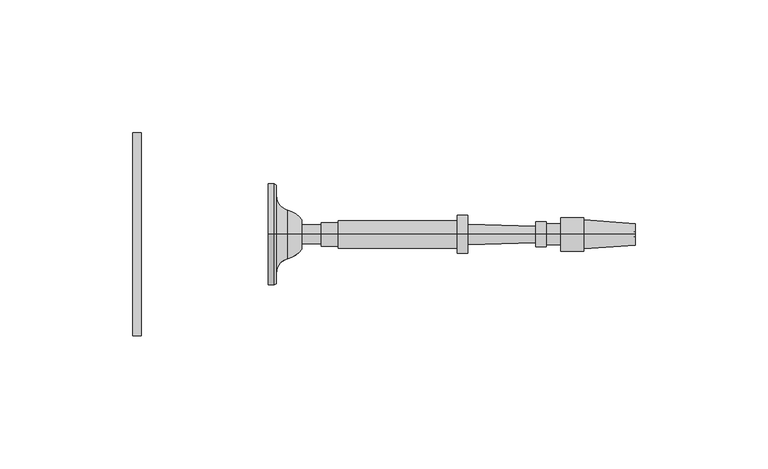
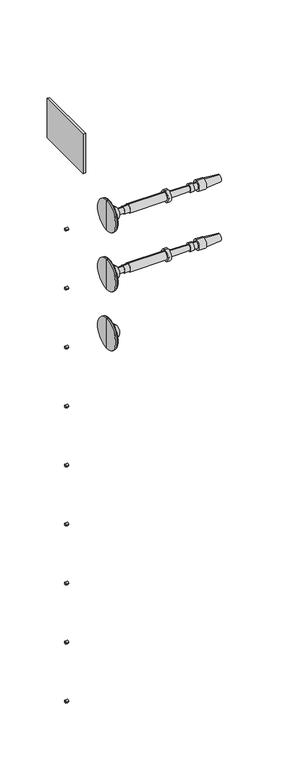
"""IFC4 building model written with IfcOpenShell, lengths in millimetres: railing geometry."""

from ifc_helpers import new_model, si_unit, point, frame, frame_2d, origin, place, context, project, spatial, polyline, circle_curve, ellipse_curve, trimmed, segment, composite_curve, outline, extrude, source, transform, mapped, element, save
from ifc_brep_helpers import plane_surface, cylinder_surface, revolved_surface, advanced_brep


def railing_eec3041f(model_context):
    return source(origin(), model_context, "Body", "SolidModel", [
        extrude(outline(polyline([(1759.1188898, 16668.1866843), (1759.1188898, 16744.3866843), (1762.2938898, 16744.3866843), (1762.2938898, 16668.1866843), (1759.1188898, 16668.1866843)])), frame((0.0, 0.0, 33390.9789063), z_axis=(0.0, 0.0, 1.0), x_axis=(1.0, 0.0, 0.0)), (0.0, 0.0, 1.0), 50.8),
        extrude(outline(composite_curve([segment(trimmed(circle_curve(frame_2d((16706.2866843, 33295.7289062)), 1.5379197), [point((16707.824604, 33295.7289062))], [point((16704.7487645, 33295.7289062))], False, "CARTESIAN"), True, "CONTINUOUS"), segment(trimmed(circle_curve(frame_2d((16706.2866843, 33295.7289062)), 1.5379197), [point((16704.7487645, 33295.7289062))], [point((16707.824604, 33295.7289062))], False, "CARTESIAN"), True, "CONTINUOUS")], self_intersect=False)), frame((1759.1188898, 0.0, 0.0), z_axis=(1.0, 0.0, 0.0), x_axis=(0.0, 1.0, 0.0)), (0.0, 0.0, 1.0), 3.175),
        extrude(outline(composite_curve([segment(trimmed(circle_curve(frame_2d((16706.2866843, 33219.5289063)), 1.5379197), [point((16707.824604, 33219.5289063))], [point((16704.7487645, 33219.5289063))], False, "CARTESIAN"), True, "CONTINUOUS"), segment(trimmed(circle_curve(frame_2d((16706.2866843, 33219.5289063)), 1.5379197), [point((16704.7487645, 33219.5289063))], [point((16707.824604, 33219.5289063))], False, "CARTESIAN"), True, "CONTINUOUS")], self_intersect=False)), frame((1759.1188898, 0.0, 0.0), z_axis=(1.0, 0.0, 0.0), x_axis=(0.0, 1.0, 0.0)), (0.0, 0.0, 1.0), 3.175),
        extrude(outline(composite_curve([segment(trimmed(circle_curve(frame_2d((16706.2866843, 33143.3289062)), 1.5379197), [point((16707.824604, 33143.3289062))], [point((16704.7487645, 33143.3289062))], False, "CARTESIAN"), True, "CONTINUOUS"), segment(trimmed(circle_curve(frame_2d((16706.2866843, 33143.3289062)), 1.5379197), [point((16704.7487645, 33143.3289062))], [point((16707.824604, 33143.3289062))], False, "CARTESIAN"), True, "CONTINUOUS")], self_intersect=False)), frame((1759.1188898, 0.0, 0.0), z_axis=(1.0, 0.0, 0.0), x_axis=(0.0, 1.0, 0.0)), (0.0, 0.0, 1.0), 3.175),
        extrude(outline(composite_curve([segment(trimmed(circle_curve(frame_2d((16706.2866843, 33067.1289062)), 1.5379197), [point((16707.824604, 33067.1289062))], [point((16704.7487645, 33067.1289062))], False, "CARTESIAN"), True, "CONTINUOUS"), segment(trimmed(circle_curve(frame_2d((16706.2866843, 33067.1289062)), 1.5379197), [point((16704.7487645, 33067.1289062))], [point((16707.824604, 33067.1289062))], False, "CARTESIAN"), True, "CONTINUOUS")], self_intersect=False)), frame((1759.1188898, 0.0, 0.0), z_axis=(1.0, 0.0, 0.0), x_axis=(0.0, 1.0, 0.0)), (0.0, 0.0, 1.0), 3.175),
        extrude(outline(composite_curve([segment(trimmed(circle_curve(frame_2d((16706.2866843, 32990.9289062)), 1.5379197), [point((16707.824604, 32990.9289062))], [point((16704.7487645, 32990.9289062))], False, "CARTESIAN"), True, "CONTINUOUS"), segment(trimmed(circle_curve(frame_2d((16706.2866843, 32990.9289062)), 1.5379197), [point((16704.7487645, 32990.9289062))], [point((16707.824604, 32990.9289062))], False, "CARTESIAN"), True, "CONTINUOUS")], self_intersect=False)), frame((1759.1188898, 0.0, 0.0), z_axis=(1.0, 0.0, 0.0), x_axis=(0.0, 1.0, 0.0)), (0.0, 0.0, 1.0), 3.175),
        extrude(outline(composite_curve([segment(trimmed(circle_curve(frame_2d((16706.2866843, 32914.7289062)), 1.5379197), [point((16707.824604, 32914.7289062))], [point((16704.7487645, 32914.7289062))], False, "CARTESIAN"), True, "CONTINUOUS"), segment(trimmed(circle_curve(frame_2d((16706.2866843, 32914.7289062)), 1.5379197), [point((16704.7487645, 32914.7289062))], [point((16707.824604, 32914.7289062))], False, "CARTESIAN"), True, "CONTINUOUS")], self_intersect=False)), frame((1759.1188898, 0.0, 0.0), z_axis=(1.0, 0.0, 0.0), x_axis=(0.0, 1.0, 0.0)), (0.0, 0.0, 1.0), 3.175),
        extrude(outline(composite_curve([segment(trimmed(circle_curve(frame_2d((16706.2866843, 32838.5289063)), 1.5379197), [point((16707.824604, 32838.5289063))], [point((16704.7487645, 32838.5289063))], False, "CARTESIAN"), True, "CONTINUOUS"), segment(trimmed(circle_curve(frame_2d((16706.2866843, 32838.5289063)), 1.5379197), [point((16704.7487645, 32838.5289063))], [point((16707.824604, 32838.5289063))], False, "CARTESIAN"), True, "CONTINUOUS")], self_intersect=False)), frame((1759.1188898, 0.0, 0.0), z_axis=(1.0, 0.0, 0.0), x_axis=(0.0, 1.0, 0.0)), (0.0, 0.0, 1.0), 3.175),
        extrude(outline(composite_curve([segment(trimmed(circle_curve(frame_2d((16706.2866843, 32762.3289062)), 1.5379197), [point((16707.824604, 32762.3289062))], [point((16704.7487645, 32762.3289062))], False, "CARTESIAN"), True, "CONTINUOUS"), segment(trimmed(circle_curve(frame_2d((16706.2866843, 32762.3289062)), 1.5379197), [point((16704.7487645, 32762.3289062))], [point((16707.824604, 32762.3289062))], False, "CARTESIAN"), True, "CONTINUOUS")], self_intersect=False)), frame((1759.1188898, 0.0, 0.0), z_axis=(1.0, 0.0, 0.0), x_axis=(0.0, 1.0, 0.0)), (0.0, 0.0, 1.0), 3.175),
        extrude(outline(composite_curve([segment(trimmed(circle_curve(frame_2d((16706.2866843, 32686.1289062)), 1.5379197), [point((16707.824604, 32686.1289062))], [point((16704.7487645, 32686.1289062))], False, "CARTESIAN"), True, "CONTINUOUS"), segment(trimmed(circle_curve(frame_2d((16706.2866843, 32686.1289062)), 1.5379197), [point((16704.7487645, 32686.1289062))], [point((16707.824604, 32686.1289062))], False, "CARTESIAN"), True, "CONTINUOUS")], self_intersect=False)), frame((1759.1188898, 0.0, 0.0), z_axis=(1.0, 0.0, 0.0), x_axis=(0.0, 1.0, 0.0)), (0.0, 0.0, 1.0), 3.175),
        advanced_brep(
        [(1809.936189, 16706.2866843, 33296.0001631), (1809.936189, 16706.2866843, 33276.9501631), (1809.936189, 16706.2866843, 33315.0501631), (1822.6288256, 16706.2866843, 33290.4769785), (1822.6288256, 16706.2866843, 33296.0001631), (1822.6288256, 16706.2866843, 33301.5233478), (1817.3527292, 16706.2866843, 33286.8720381), (1817.3527292, 16706.2866843, 33305.1282881), (1812.9871042, 16706.2866843, 33281.2458254), (1812.9871042, 16706.2866843, 33310.7545009), (1812.9871042, 16706.2866843, 33277.3762941), (1812.9871042, 16706.2866843, 33314.6240321), (1812.317439, 16706.2866843, 33276.9501631), (1812.317439, 16706.2866843, 33315.0501631)],
        [
            (0, 1),
            (1, 2, circle_curve(frame((1809.936189, 16706.2866843, 33296.0001631), z_axis=(-1.0, 0.0, 0.0), x_axis=(0.0, 0.0, 1.0)), 19.05)),
            (2, 0),
            (2, 1, circle_curve(frame((1809.936189, 16706.2866843, 33296.0001631), z_axis=(-1.0, 0.0, 0.0), x_axis=(0.0, 0.0, 1.0)), 19.05)),
            (3, 4),
            (4, 5),
            (5, 3, circle_curve(frame((1822.6288256, 16706.2866843, 33296.0001631), z_axis=(1.0, 0.0, 0.0), x_axis=(0.0, 0.0, 1.0)), 5.5231846)),
            (3, 5, circle_curve(frame((1822.6288256, 16706.2866843, 33296.0001631), z_axis=(1.0, 0.0, 0.0), x_axis=(0.0, 0.0, 1.0)), 5.5231846)),
            (6, 3, circle_curve(frame((1815.0283205, 16706.2866843, 33295.9374304), z_axis=(0.0, -1.0, 0.0), x_axis=(1.0, 0.0, 0.0)), 9.3586438)),
            (5, 7, circle_curve(frame((1815.0283205, 16706.2866843, 33296.0628958), z_axis=(0.0, -1.0, 0.0), x_axis=(1.0, 0.0, 0.0)), 9.3586438)),
            (7, 6, circle_curve(frame((1817.3527292, 16706.2866843, 33296.0001631), z_axis=(1.0, 0.0, 0.0), x_axis=(0.0, 0.0, 1.0)), 9.128125)),
            (6, 7, circle_curve(frame((1817.3527292, 16706.2866843, 33296.0001631), z_axis=(1.0, 0.0, 0.0), x_axis=(0.0, 0.0, 1.0)), 9.128125)),
            (8, 6, circle_curve(frame((1818.7953162, 16706.2866843, 33281.2458254), z_axis=(0.0, 1.0, 0.0), x_axis=(1.0, 0.0, 0.0)), 5.8082121)),
            (7, 9, circle_curve(frame((1818.7953162, 16706.2866843, 33310.7545009), z_axis=(0.0, 1.0, 0.0), x_axis=(1.0, 0.0, 0.0)), 5.8082121)),
            (9, 8, circle_curve(frame((1812.9871042, 16706.2866843, 33296.0001631), z_axis=(1.0, 0.0, 0.0), x_axis=(0.0, 0.0, 1.0)), 14.7543378)),
            (8, 9, circle_curve(frame((1812.9871042, 16706.2866843, 33296.0001631), z_axis=(1.0, 0.0, 0.0), x_axis=(0.0, 0.0, 1.0)), 14.7543378)),
            (10, 8),
            (9, 11),
            (11, 10, circle_curve(frame((1812.9871042, 16706.2866843, 33296.0001631), z_axis=(1.0, 0.0, 0.0), x_axis=(0.0, 0.0, 1.0)), 18.623869)),
            (10, 11, circle_curve(frame((1812.9871042, 16706.2866843, 33296.0001631), z_axis=(1.0, 0.0, 0.0), x_axis=(0.0, 0.0, 1.0)), 18.623869)),
            (12, 10),
            (11, 13),
            (13, 12, circle_curve(frame((1812.317439, 16706.2866843, 33296.0001631), z_axis=(1.0, 0.0, 0.0), x_axis=(0.0, 0.0, 1.0)), 19.05)),
            (12, 13, circle_curve(frame((1812.317439, 16706.2866843, 33296.0001631), z_axis=(1.0, 0.0, 0.0), x_axis=(0.0, 0.0, 1.0)), 19.05)),
            (1, 12),
            (13, 2),
        ],
        [
            plane_surface(frame((1809.936189, 16706.2866843, 33296.0001631), z_axis=(-1.0, 0.0, 0.0), x_axis=(0.0, 0.0, 1.0))),
            plane_surface(frame((1822.6288256, 16706.2866843, 33296.0001631), z_axis=(1.0, 0.0, 0.0), x_axis=(0.0, 0.0, 1.0))),
            revolved_surface(trimmed(ellipse_curve(frame((1815.0283205, 16706.2866843, 33296.0628958), z_axis=(0.0, -1.0, 0.0), x_axis=(1.0, 0.0, 0.0)), 9.3586438, 9.3586438), [point((1822.6288256, 16706.2866843, 33301.5233478))], [point((1817.3527292, 16706.2866843, 33305.1282881))], True, "CARTESIAN"), (1809.936189, 16706.2866843, 33296.0001631), (-1.0, 0.0, 0.0)),
            revolved_surface(trimmed(ellipse_curve(frame((1818.7953162, 16706.2866843, 33310.7545009), z_axis=(0.0, 1.0, 0.0), x_axis=(1.0, 0.0, 0.0)), 5.8082121, 5.8082121), [point((1817.3527292, 16706.2866843, 33305.1282881))], [point((1812.9871042, 16706.2866843, 33310.7545009))], True, "CARTESIAN"), (1809.936189, 16706.2866843, 33296.0001631), (-1.0, 0.0, 0.0)),
            plane_surface(frame((1812.9871042, 16706.2866843, 33296.0001631), z_axis=(1.0, 0.0, 0.0), x_axis=(0.0, 0.0, 1.0))),
            revolved_surface(polyline([(1812.9871042, 16706.2866843, 33314.6240321), (1812.317439, 16706.2866843, 33315.0501631)]), (1809.936189, 16706.2866843, 33296.0001631), (-1.0, 0.0, 0.0)),
            cylinder_surface(frame((1809.936189, 16706.2866843, 33296.0001631), z_axis=(-1.0, 0.0, 0.0), x_axis=(0.0, 0.0, 1.0)), 19.05),
        ],
        [
            (0, [[1, 2, 3]]),
            (0, [[-3, 4, -1]]),
            (1, [[5, 6, 7]]),
            (1, [[-6, -5, 8]]),
            (2, [[9, -7, 10, 11]]),
            (2, [[-10, -8, -9, 12]]),
            (3, [[13, -11, 14, 15]]),
            (3, [[-14, -12, -13, 16]]),
            (4, [[17, -15, 18, 19]]),
            (4, [[-18, -16, -17, 20]]),
            (5, [[21, -19, 22, 23]]),
            (5, [[-22, -20, -21, 24]]),
            (6, [[25, -23, 26, -2]]),
            (6, [[-26, -24, -25, -4]]),
        ],
    ),
        advanced_brep(
        [(1822.6288256, 16706.2866843, 33292.4282881), (1822.6288256, 16706.2866843, 33299.5720381), (1822.6288256, 16706.2866843, 33296.0001631), (1947.5727148, 16706.2866843, 33296.0001631), (1947.8683792, 16706.2866843, 33300.0246235), (1947.8683792, 16706.2866843, 33291.9757028), (1928.5250152, 16706.2866843, 33301.445719), (1928.5250152, 16706.2866843, 33290.5546072), (1928.5250152, 16706.2866843, 33302.3386877), (1928.5250152, 16706.2866843, 33289.6616385), (1919.892984, 16706.2866843, 33302.3386877), (1919.892984, 16706.2866843, 33289.6616385), (1919.892984, 16706.2866843, 33299.9574377), (1919.892984, 16706.2866843, 33292.0428885), (1914.5351715, 16706.2866843, 33299.9574377), (1914.5351715, 16706.2866843, 33292.0428885), (1914.5351715, 16706.2866843, 33300.7511877), (1914.5351715, 16706.2866843, 33291.2491385), (1910.4672027, 16706.2866843, 33300.7511877), (1910.4672027, 16706.2866843, 33291.2491385), (1910.4231156, 16706.2866843, 33299.1643), (1910.4231156, 16706.2866843, 33292.8360262), (1885.0329124, 16706.2866843, 33299.8696944), (1885.0329124, 16706.2866843, 33292.1306319), (1885.0329124, 16706.2866843, 33303.1439131), (1885.0329124, 16706.2866843, 33288.8564131), (1881.0641624, 16706.2866843, 33303.1439131), (1881.0641624, 16706.2866843, 33288.8564131), (1881.0641624, 16706.2866843, 33301.1595381), (1881.0641624, 16706.2866843, 33290.8407881), (1836.3165061, 16706.2866843, 33301.1595381), (1836.3165061, 16706.2866843, 33290.8407881), (1836.3165061, 16706.2866843, 33300.3657881), (1836.3165061, 16706.2866843, 33291.6345381), (1829.9665061, 16706.2866843, 33300.3657881), (1829.9665061, 16706.2866843, 33291.6345381), (1829.9665061, 16706.2866843, 33299.5720381), (1829.9665061, 16706.2866843, 33292.4282881)],
        [
            (0, 1, circle_curve(frame((1822.6288256, 16706.2866843, 33296.0001631), z_axis=(-1.0, 0.0, 0.0), x_axis=(0.0, 0.0, 1.0000000000000002)), 3.571875)),
            (1, 2),
            (2, 0),
            (1, 0, circle_curve(frame((1822.6288256, 16706.2866843, 33296.0001631), z_axis=(-1.0, 0.0, 0.0), x_axis=(0.0, 0.0, 1.0000000000000002)), 3.571875)),
            (3, 4),
            (4, 5, circle_curve(frame((1947.8683792, 16706.2866843, 33296.0001631), z_axis=(1.0, 0.0, 0.0), x_axis=(0.0, 0.0, 1.0000000000000002)), 4.0244604)),
            (5, 3),
            (5, 4, circle_curve(frame((1947.8683792, 16706.2866843, 33296.0001631), z_axis=(1.0, 0.0, 0.0), x_axis=(0.0, 0.0, 1.0000000000000002)), 4.0244604)),
            (4, 6),
            (6, 7, circle_curve(frame((1928.5250152, 16706.2866843, 33296.0001631), z_axis=(1.0, 0.0, 0.0), x_axis=(0.0, 0.0, 1.0000000000000002)), 5.4455559)),
            (7, 5),
            (7, 6, circle_curve(frame((1928.5250152, 16706.2866843, 33296.0001631), z_axis=(1.0, 0.0, 0.0), x_axis=(0.0, 0.0, 1.0000000000000002)), 5.4455559)),
            (6, 8),
            (8, 9, circle_curve(frame((1928.5250152, 16706.2866843, 33296.0001631), z_axis=(1.0, 0.0, 0.0), x_axis=(0.0, 0.0, 1.0000000000000002)), 6.3385246)),
            (9, 7),
            (9, 8, circle_curve(frame((1928.5250152, 16706.2866843, 33296.0001631), z_axis=(1.0, 0.0, 0.0), x_axis=(0.0, 0.0, 1.0000000000000002)), 6.3385246)),
            (8, 10),
            (10, 11, circle_curve(frame((1919.892984, 16706.2866843, 33296.0001631), z_axis=(1.0, 0.0, 0.0), x_axis=(0.0, 0.0, 1.0000000000000002)), 6.3385246)),
            (11, 9),
            (11, 10, circle_curve(frame((1919.892984, 16706.2866843, 33296.0001631), z_axis=(1.0, 0.0, 0.0), x_axis=(0.0, 0.0, 1.0000000000000002)), 6.3385246)),
            (10, 12),
            (12, 13, circle_curve(frame((1919.892984, 16706.2866843, 33296.0001631), z_axis=(1.0, 0.0, 0.0), x_axis=(0.0, 0.0, 1.0000000000000002)), 3.9572746)),
            (13, 11),
            (13, 12, circle_curve(frame((1919.892984, 16706.2866843, 33296.0001631), z_axis=(1.0, 0.0, 0.0), x_axis=(0.0, 0.0, 1.0000000000000002)), 3.9572746)),
            (12, 14),
            (14, 15, circle_curve(frame((1914.5351715, 16706.2866843, 33296.0001631), z_axis=(1.0, 0.0, 0.0), x_axis=(0.0, 0.0, 1.0000000000000002)), 3.9572746)),
            (15, 13),
            (15, 14, circle_curve(frame((1914.5351715, 16706.2866843, 33296.0001631), z_axis=(1.0, 0.0, 0.0), x_axis=(0.0, 0.0, 1.0000000000000002)), 3.9572746)),
            (14, 16),
            (16, 17, circle_curve(frame((1914.5351715, 16706.2866843, 33296.0001631), z_axis=(1.0, 0.0, 0.0), x_axis=(0.0, 0.0, 1.0000000000000002)), 4.7510246)),
            (17, 15),
            (17, 16, circle_curve(frame((1914.5351715, 16706.2866843, 33296.0001631), z_axis=(1.0, 0.0, 0.0), x_axis=(0.0, 0.0, 1.0000000000000002)), 4.7510246)),
            (16, 18),
            (18, 19, circle_curve(frame((1910.4672027, 16706.2866843, 33296.0001631), z_axis=(1.0, 0.0, 0.0), x_axis=(0.0, 0.0, 1.0000000000000002)), 4.7510246)),
            (19, 17),
            (19, 18, circle_curve(frame((1910.4672027, 16706.2866843, 33296.0001631), z_axis=(1.0, 0.0, 0.0), x_axis=(0.0, 0.0, 1.0000000000000002)), 4.7510246)),
            (18, 20),
            (20, 21, circle_curve(frame((1910.4231156, 16706.2866843, 33296.0001631), z_axis=(1.0, 0.0, 0.0), x_axis=(0.0, 0.0, 1.0000000000000002)), 3.1641369)),
            (21, 19),
            (21, 20, circle_curve(frame((1910.4231156, 16706.2866843, 33296.0001631), z_axis=(1.0, 0.0, 0.0), x_axis=(0.0, 0.0, 1.0000000000000002)), 3.1641369)),
            (20, 22),
            (22, 23, circle_curve(frame((1885.0329124, 16706.2866843, 33296.0001631), z_axis=(1.0, 0.0, 0.0), x_axis=(0.0, 0.0, 1.0000000000000002)), 3.8695313)),
            (23, 21),
            (23, 22, circle_curve(frame((1885.0329124, 16706.2866843, 33296.0001631), z_axis=(1.0, 0.0, 0.0), x_axis=(0.0, 0.0, 1.0000000000000002)), 3.8695313)),
            (22, 24),
            (24, 25, circle_curve(frame((1885.0329124, 16706.2866843, 33296.0001631), z_axis=(1.0, 0.0, 0.0), x_axis=(0.0, 0.0, 1.0000000000000002)), 7.14375)),
            (25, 23),
            (25, 24, circle_curve(frame((1885.0329124, 16706.2866843, 33296.0001631), z_axis=(1.0, 0.0, 0.0), x_axis=(0.0, 0.0, 1.0000000000000002)), 7.14375)),
            (24, 26),
            (26, 27, circle_curve(frame((1881.0641624, 16706.2866843, 33296.0001631), z_axis=(1.0, 0.0, 0.0), x_axis=(0.0, 0.0, 1.0000000000000002)), 7.14375)),
            (27, 25),
            (27, 26, circle_curve(frame((1881.0641624, 16706.2866843, 33296.0001631), z_axis=(1.0, 0.0, 0.0), x_axis=(0.0, 0.0, 1.0000000000000002)), 7.14375)),
            (26, 28),
            (28, 29, circle_curve(frame((1881.0641624, 16706.2866843, 33296.0001631), z_axis=(1.0, 0.0, 0.0), x_axis=(0.0, 0.0, 1.0000000000000002)), 5.159375)),
            (29, 27),
            (29, 28, circle_curve(frame((1881.0641624, 16706.2866843, 33296.0001631), z_axis=(1.0, 0.0, 0.0), x_axis=(0.0, 0.0, 1.0000000000000002)), 5.159375)),
            (28, 30),
            (30, 31, circle_curve(frame((1836.3165061, 16706.2866843, 33296.0001631), z_axis=(1.0, 0.0, 0.0), x_axis=(0.0, 0.0, 1.0000000000000002)), 5.159375)),
            (31, 29),
            (31, 30, circle_curve(frame((1836.3165061, 16706.2866843, 33296.0001631), z_axis=(1.0, 0.0, 0.0), x_axis=(0.0, 0.0, 1.0000000000000002)), 5.159375)),
            (30, 32),
            (32, 33, circle_curve(frame((1836.3165061, 16706.2866843, 33296.0001631), z_axis=(1.0, 0.0, 0.0), x_axis=(0.0, 0.0, 1.0000000000000002)), 4.365625)),
            (33, 31),
            (33, 32, circle_curve(frame((1836.3165061, 16706.2866843, 33296.0001631), z_axis=(1.0, 0.0, 0.0), x_axis=(0.0, 0.0, 1.0000000000000002)), 4.365625)),
            (32, 34),
            (34, 35, circle_curve(frame((1829.9665061, 16706.2866843, 33296.0001631), z_axis=(1.0, 0.0, 0.0), x_axis=(0.0, 0.0, 1.0000000000000002)), 4.365625)),
            (35, 33),
            (35, 34, circle_curve(frame((1829.9665061, 16706.2866843, 33296.0001631), z_axis=(1.0, 0.0, 0.0), x_axis=(0.0, 0.0, 1.0000000000000002)), 4.365625)),
            (34, 36),
            (36, 37, circle_curve(frame((1829.9665061, 16706.2866843, 33296.0001631), z_axis=(1.0, 0.0, 0.0), x_axis=(0.0, 0.0, 1.0000000000000002)), 3.571875)),
            (37, 35),
            (37, 36, circle_curve(frame((1829.9665061, 16706.2866843, 33296.0001631), z_axis=(1.0, 0.0, 0.0), x_axis=(0.0, 0.0, 1.0000000000000002)), 3.571875)),
            (36, 1),
            (0, 37),
        ],
        [
            plane_surface(frame((1822.6288256, 16706.2866843, 33296.0001631), z_axis=(-1.0, 0.0, 0.0), x_axis=(0.0, 0.0, 1.0))),
            revolved_surface(polyline([(1947.8683792, 16706.2866843, 33300.0246235), (1947.5727148, 16706.2866843, 33296.0001631)]), (1947.5727148, 16706.2866843, 33296.0001631), (1.0, 0.0, 0.0)),
            revolved_surface(polyline([(1928.5250152, 16706.2866843, 33301.445719), (1947.8683792, 16706.2866843, 33300.0246235)]), (1947.5727148, 16706.2866843, 33296.0001631), (1.0, 0.0, 0.0)),
            plane_surface(frame((1928.5250152, 16706.2866843, 33296.0001631), z_axis=(1.0, 0.0, 0.0), x_axis=(0.0, 0.0, 1.0))),
            cylinder_surface(frame((1947.5727148, 16706.2866843, 33296.0001631), z_axis=(1.0, 0.0, 0.0), x_axis=(0.0, 0.0, 1.0000000000000002)), 6.3385246),
            plane_surface(frame((1919.892984, 16706.2866843, 33296.0001631), z_axis=(-1.0, 0.0, 0.0), x_axis=(0.0, 0.0, 1.0))),
            cylinder_surface(frame((1947.5727148, 16706.2866843, 33296.0001631), z_axis=(1.0, 0.0, 0.0), x_axis=(0.0, 0.0, 1.0000000000000002)), 3.9572746),
            plane_surface(frame((1914.5351715, 16706.2866843, 33296.0001631), z_axis=(1.0, 0.0, 0.0), x_axis=(0.0, 0.0, 1.0))),
            cylinder_surface(frame((1947.5727148, 16706.2866843, 33296.0001631), z_axis=(1.0, 0.0, 0.0), x_axis=(0.0, 0.0, 1.0000000000000002)), 4.7510246),
            plane_surface(frame((1910.4231156, 16706.2866843, 33296.0001631), z_axis=(-1.0, 0.0, 0.0), x_axis=(0.0, 0.0, 1.0))),
            revolved_surface(polyline([(1885.0329124, 16706.2866843, 33299.8696944), (1910.4231156, 16706.2866843, 33299.1643)]), (1947.5727148, 16706.2866843, 33296.0001631), (1.0, 0.0, 0.0)),
            plane_surface(frame((1885.0329124, 16706.2866843, 33296.0001631), z_axis=(1.0, 0.0, 0.0), x_axis=(0.0, 0.0, 1.0))),
            cylinder_surface(frame((1947.5727148, 16706.2866843, 33296.0001631), z_axis=(1.0, 0.0, 0.0), x_axis=(0.0, 0.0, 1.0000000000000002)), 7.14375),
            plane_surface(frame((1881.0641624, 16706.2866843, 33296.0001631), z_axis=(-1.0, 0.0, 0.0), x_axis=(0.0, 0.0, 1.0))),
            cylinder_surface(frame((1947.5727148, 16706.2866843, 33296.0001631), z_axis=(1.0, 0.0, 0.0), x_axis=(0.0, 0.0, 1.0000000000000002)), 5.159375),
            plane_surface(frame((1836.3165061, 16706.2866843, 33296.0001631), z_axis=(-1.0, 0.0, 0.0), x_axis=(0.0, 0.0, 1.0))),
            cylinder_surface(frame((1947.5727148, 16706.2866843, 33296.0001631), z_axis=(1.0, 0.0, 0.0), x_axis=(0.0, 0.0, 1.0000000000000002)), 4.365625),
            plane_surface(frame((1829.9665061, 16706.2866843, 33296.0001631), z_axis=(-1.0, 0.0, 0.0), x_axis=(0.0, 0.0, 1.0))),
            cylinder_surface(frame((1947.5727148, 16706.2866843, 33296.0001631), z_axis=(1.0, 0.0, 0.0), x_axis=(0.0, 0.0, 1.0000000000000002)), 3.571875),
        ],
        [
            (0, [[1, 2, 3]]),
            (0, [[4, -3, -2]]),
            (1, [[5, 6, 7]]),
            (1, [[-7, 8, -5]]),
            (2, [[-6, 9, 10, 11]]),
            (2, [[-8, -11, 12, -9]]),
            (3, [[-10, 13, 14, 15]]),
            (3, [[-12, -15, 16, -13]]),
            (4, [[-14, 17, 18, 19]]),
            (4, [[-16, -19, 20, -17]]),
            (5, [[-18, 21, 22, 23]]),
            (5, [[-20, -23, 24, -21]]),
            (6, [[-22, 25, 26, 27]]),
            (6, [[-24, -27, 28, -25]]),
            (7, [[-26, 29, 30, 31]]),
            (7, [[-28, -31, 32, -29]]),
            (8, [[-30, 33, 34, 35]]),
            (8, [[-32, -35, 36, -33]]),
            (9, [[-34, 37, 38, 39]]),
            (9, [[-36, -39, 40, -37]]),
            (10, [[-38, 41, 42, 43]]),
            (10, [[-40, -43, 44, -41]]),
            (11, [[-42, 45, 46, 47]]),
            (11, [[-44, -47, 48, -45]]),
            (12, [[-46, 49, 50, 51]]),
            (12, [[-48, -51, 52, -49]]),
            (13, [[-50, 53, 54, 55]]),
            (13, [[-52, -55, 56, -53]]),
            (14, [[-54, 57, 58, 59]]),
            (14, [[-56, -59, 60, -57]]),
            (15, [[-58, 61, 62, 63]]),
            (15, [[-60, -63, 64, -61]]),
            (16, [[-62, 65, 66, 67]]),
            (16, [[-64, -67, 68, -65]]),
            (17, [[-66, 69, 70, 71]]),
            (17, [[-68, -71, 72, -69]]),
            (18, [[-70, 73, -1, 74]]),
            (18, [[-72, -74, -4, -73]]),
        ],
    ),
        advanced_brep(
        [(1809.936189, 16706.2866843, 33219.8001631), (1809.936189, 16706.2866843, 33200.7501631), (1809.936189, 16706.2866843, 33238.8501631), (1822.6288256, 16706.2866843, 33214.2769785), (1822.6288256, 16706.2866843, 33219.8001631), (1822.6288256, 16706.2866843, 33225.3233478), (1817.3527292, 16706.2866843, 33210.6720381), (1817.3527292, 16706.2866843, 33228.9282881), (1812.9871042, 16706.2866843, 33205.0458254), (1812.9871042, 16706.2866843, 33234.5545009), (1812.9871042, 16706.2866843, 33201.1762941), (1812.9871042, 16706.2866843, 33238.4240321), (1812.317439, 16706.2866843, 33200.7501631), (1812.317439, 16706.2866843, 33238.8501631)],
        [
            (0, 1),
            (1, 2, circle_curve(frame((1809.936189, 16706.2866843, 33219.8001631), z_axis=(-1.0, 0.0, 0.0), x_axis=(0.0, 0.0, 1.0)), 19.05)),
            (2, 0),
            (2, 1, circle_curve(frame((1809.936189, 16706.2866843, 33219.8001631), z_axis=(-1.0, 0.0, 0.0), x_axis=(0.0, 0.0, 1.0)), 19.05)),
            (3, 4),
            (4, 5),
            (5, 3, circle_curve(frame((1822.6288256, 16706.2866843, 33219.8001631), z_axis=(1.0, 0.0, 0.0), x_axis=(0.0, 0.0, 1.0)), 5.5231846)),
            (3, 5, circle_curve(frame((1822.6288256, 16706.2866843, 33219.8001631), z_axis=(1.0, 0.0, 0.0), x_axis=(0.0, 0.0, 1.0)), 5.5231846)),
            (6, 3, circle_curve(frame((1815.0283205, 16706.2866843, 33219.7374304), z_axis=(0.0, -1.0, 0.0), x_axis=(1.0, 0.0, 0.0)), 9.3586438)),
            (5, 7, circle_curve(frame((1815.0283205, 16706.2866843, 33219.8628958), z_axis=(0.0, -1.0, 0.0), x_axis=(1.0, 0.0, 0.0)), 9.3586438)),
            (7, 6, circle_curve(frame((1817.3527292, 16706.2866843, 33219.8001631), z_axis=(1.0, 0.0, 0.0), x_axis=(0.0, 0.0, 1.0)), 9.128125)),
            (6, 7, circle_curve(frame((1817.3527292, 16706.2866843, 33219.8001631), z_axis=(1.0, 0.0, 0.0), x_axis=(0.0, 0.0, 1.0)), 9.128125)),
            (8, 6, circle_curve(frame((1818.7953162, 16706.2866843, 33205.0458254), z_axis=(0.0, 1.0, 0.0), x_axis=(1.0, 0.0, 0.0)), 5.8082121)),
            (7, 9, circle_curve(frame((1818.7953162, 16706.2866843, 33234.5545009), z_axis=(0.0, 1.0, 0.0), x_axis=(1.0, 0.0, 0.0)), 5.8082121)),
            (9, 8, circle_curve(frame((1812.9871042, 16706.2866843, 33219.8001631), z_axis=(1.0, 0.0, 0.0), x_axis=(0.0, 0.0, 1.0)), 14.7543378)),
            (8, 9, circle_curve(frame((1812.9871042, 16706.2866843, 33219.8001631), z_axis=(1.0, 0.0, 0.0), x_axis=(0.0, 0.0, 1.0)), 14.7543378)),
            (10, 8),
            (9, 11),
            (11, 10, circle_curve(frame((1812.9871042, 16706.2866843, 33219.8001631), z_axis=(1.0, 0.0, 0.0), x_axis=(0.0, 0.0, 1.0)), 18.623869)),
            (10, 11, circle_curve(frame((1812.9871042, 16706.2866843, 33219.8001631), z_axis=(1.0, 0.0, 0.0), x_axis=(0.0, 0.0, 1.0)), 18.623869)),
            (12, 10),
            (11, 13),
            (13, 12, circle_curve(frame((1812.317439, 16706.2866843, 33219.8001631), z_axis=(1.0, 0.0, 0.0), x_axis=(0.0, 0.0, 1.0)), 19.05)),
            (12, 13, circle_curve(frame((1812.317439, 16706.2866843, 33219.8001631), z_axis=(1.0, 0.0, 0.0), x_axis=(0.0, 0.0, 1.0)), 19.05)),
            (1, 12),
            (13, 2),
        ],
        [
            plane_surface(frame((1809.936189, 16706.2866843, 33219.8001631), z_axis=(-1.0, 0.0, 0.0), x_axis=(0.0, 0.0, 1.0))),
            plane_surface(frame((1822.6288256, 16706.2866843, 33219.8001631), z_axis=(1.0, 0.0, 0.0), x_axis=(0.0, 0.0, 1.0))),
            revolved_surface(trimmed(ellipse_curve(frame((1815.0283205, 16706.2866843, 33219.8628958), z_axis=(0.0, -1.0, 0.0), x_axis=(1.0, 0.0, 0.0)), 9.3586438, 9.3586438), [point((1822.6288256, 16706.2866843, 33225.3233478))], [point((1817.3527292, 16706.2866843, 33228.9282881))], True, "CARTESIAN"), (1809.936189, 16706.2866843, 33219.8001631), (-1.0, 0.0, 0.0)),
            revolved_surface(trimmed(ellipse_curve(frame((1818.7953162, 16706.2866843, 33234.5545009), z_axis=(0.0, 1.0, 0.0), x_axis=(1.0, 0.0, 0.0)), 5.8082121, 5.8082121), [point((1817.3527292, 16706.2866843, 33228.9282881))], [point((1812.9871042, 16706.2866843, 33234.5545009))], True, "CARTESIAN"), (1809.936189, 16706.2866843, 33219.8001631), (-1.0, 0.0, 0.0)),
            plane_surface(frame((1812.9871042, 16706.2866843, 33219.8001631), z_axis=(1.0, 0.0, 0.0), x_axis=(0.0, 0.0, 1.0))),
            revolved_surface(polyline([(1812.9871042, 16706.2866843, 33238.4240321), (1812.317439, 16706.2866843, 33238.8501631)]), (1809.936189, 16706.2866843, 33219.8001631), (-1.0, 0.0, 0.0)),
            cylinder_surface(frame((1809.936189, 16706.2866843, 33219.8001631), z_axis=(-1.0, 0.0, 0.0), x_axis=(0.0, 0.0, 1.0)), 19.05),
        ],
        [
            (0, [[1, 2, 3]]),
            (0, [[-3, 4, -1]]),
            (1, [[5, 6, 7]]),
            (1, [[-6, -5, 8]]),
            (2, [[9, -7, 10, 11]]),
            (2, [[-10, -8, -9, 12]]),
            (3, [[13, -11, 14, 15]]),
            (3, [[-14, -12, -13, 16]]),
            (4, [[17, -15, 18, 19]]),
            (4, [[-18, -16, -17, 20]]),
            (5, [[21, -19, 22, 23]]),
            (5, [[-22, -20, -21, 24]]),
            (6, [[25, -23, 26, -2]]),
            (6, [[-26, -24, -25, -4]]),
        ],
    ),
        advanced_brep(
        [(1822.6288256, 16706.2866843, 33216.2282881), (1822.6288256, 16706.2866843, 33223.3720381), (1822.6288256, 16706.2866843, 33219.8001631), (1947.5727148, 16706.2866843, 33219.8001631), (1947.8683792, 16706.2866843, 33223.8246235), (1947.8683792, 16706.2866843, 33215.7757028), (1928.5250152, 16706.2866843, 33225.245719), (1928.5250152, 16706.2866843, 33214.3546072), (1928.5250152, 16706.2866843, 33226.1386877), (1928.5250152, 16706.2866843, 33213.4616385), (1919.892984, 16706.2866843, 33226.1386877), (1919.892984, 16706.2866843, 33213.4616385), (1919.892984, 16706.2866843, 33223.7574377), (1919.892984, 16706.2866843, 33215.8428885), (1914.5351715, 16706.2866843, 33223.7574377), (1914.5351715, 16706.2866843, 33215.8428885), (1914.5351715, 16706.2866843, 33224.5511877), (1914.5351715, 16706.2866843, 33215.0491385), (1910.4672027, 16706.2866843, 33224.5511877), (1910.4672027, 16706.2866843, 33215.0491385), (1910.4231156, 16706.2866843, 33222.9643), (1910.4231156, 16706.2866843, 33216.6360262), (1885.0329124, 16706.2866843, 33223.6696944), (1885.0329124, 16706.2866843, 33215.9306319), (1885.0329124, 16706.2866843, 33226.9439131), (1885.0329124, 16706.2866843, 33212.6564131), (1881.0641624, 16706.2866843, 33226.9439131), (1881.0641624, 16706.2866843, 33212.6564131), (1881.0641624, 16706.2866843, 33224.9595381), (1881.0641624, 16706.2866843, 33214.6407881), (1836.3165061, 16706.2866843, 33224.9595381), (1836.3165061, 16706.2866843, 33214.6407881), (1836.3165061, 16706.2866843, 33224.1657881), (1836.3165061, 16706.2866843, 33215.4345381), (1829.9665061, 16706.2866843, 33224.1657881), (1829.9665061, 16706.2866843, 33215.4345381), (1829.9665061, 16706.2866843, 33223.3720381), (1829.9665061, 16706.2866843, 33216.2282881)],
        [
            (0, 1, circle_curve(frame((1822.6288256, 16706.2866843, 33219.8001631), z_axis=(-1.0, 0.0, 0.0), x_axis=(0.0, 0.0, 1.0000000000000002)), 3.571875)),
            (1, 2),
            (2, 0),
            (1, 0, circle_curve(frame((1822.6288256, 16706.2866843, 33219.8001631), z_axis=(-1.0, 0.0, 0.0), x_axis=(0.0, 0.0, 1.0000000000000002)), 3.571875)),
            (3, 4),
            (4, 5, circle_curve(frame((1947.8683792, 16706.2866843, 33219.8001631), z_axis=(1.0, 0.0, 0.0), x_axis=(0.0, 0.0, 1.0000000000000002)), 4.0244604)),
            (5, 3),
            (5, 4, circle_curve(frame((1947.8683792, 16706.2866843, 33219.8001631), z_axis=(1.0, 0.0, 0.0), x_axis=(0.0, 0.0, 1.0000000000000002)), 4.0244604)),
            (4, 6),
            (6, 7, circle_curve(frame((1928.5250152, 16706.2866843, 33219.8001631), z_axis=(1.0, 0.0, 0.0), x_axis=(0.0, 0.0, 1.0000000000000002)), 5.4455559)),
            (7, 5),
            (7, 6, circle_curve(frame((1928.5250152, 16706.2866843, 33219.8001631), z_axis=(1.0, 0.0, 0.0), x_axis=(0.0, 0.0, 1.0000000000000002)), 5.4455559)),
            (6, 8),
            (8, 9, circle_curve(frame((1928.5250152, 16706.2866843, 33219.8001631), z_axis=(1.0, 0.0, 0.0), x_axis=(0.0, 0.0, 1.0000000000000002)), 6.3385246)),
            (9, 7),
            (9, 8, circle_curve(frame((1928.5250152, 16706.2866843, 33219.8001631), z_axis=(1.0, 0.0, 0.0), x_axis=(0.0, 0.0, 1.0000000000000002)), 6.3385246)),
            (8, 10),
            (10, 11, circle_curve(frame((1919.892984, 16706.2866843, 33219.8001631), z_axis=(1.0, 0.0, 0.0), x_axis=(0.0, 0.0, 1.0000000000000002)), 6.3385246)),
            (11, 9),
            (11, 10, circle_curve(frame((1919.892984, 16706.2866843, 33219.8001631), z_axis=(1.0, 0.0, 0.0), x_axis=(0.0, 0.0, 1.0000000000000002)), 6.3385246)),
            (10, 12),
            (12, 13, circle_curve(frame((1919.892984, 16706.2866843, 33219.8001631), z_axis=(1.0, 0.0, 0.0), x_axis=(0.0, 0.0, 1.0000000000000002)), 3.9572746)),
            (13, 11),
            (13, 12, circle_curve(frame((1919.892984, 16706.2866843, 33219.8001631), z_axis=(1.0, 0.0, 0.0), x_axis=(0.0, 0.0, 1.0000000000000002)), 3.9572746)),
            (12, 14),
            (14, 15, circle_curve(frame((1914.5351715, 16706.2866843, 33219.8001631), z_axis=(1.0, 0.0, 0.0), x_axis=(0.0, 0.0, 1.0000000000000002)), 3.9572746)),
            (15, 13),
            (15, 14, circle_curve(frame((1914.5351715, 16706.2866843, 33219.8001631), z_axis=(1.0, 0.0, 0.0), x_axis=(0.0, 0.0, 1.0000000000000002)), 3.9572746)),
            (14, 16),
            (16, 17, circle_curve(frame((1914.5351715, 16706.2866843, 33219.8001631), z_axis=(1.0, 0.0, 0.0), x_axis=(0.0, 0.0, 1.0000000000000002)), 4.7510246)),
            (17, 15),
            (17, 16, circle_curve(frame((1914.5351715, 16706.2866843, 33219.8001631), z_axis=(1.0, 0.0, 0.0), x_axis=(0.0, 0.0, 1.0000000000000002)), 4.7510246)),
            (16, 18),
            (18, 19, circle_curve(frame((1910.4672027, 16706.2866843, 33219.8001631), z_axis=(1.0, 0.0, 0.0), x_axis=(0.0, 0.0, 1.0000000000000002)), 4.7510246)),
            (19, 17),
            (19, 18, circle_curve(frame((1910.4672027, 16706.2866843, 33219.8001631), z_axis=(1.0, 0.0, 0.0), x_axis=(0.0, 0.0, 1.0000000000000002)), 4.7510246)),
            (18, 20),
            (20, 21, circle_curve(frame((1910.4231156, 16706.2866843, 33219.8001631), z_axis=(1.0, 0.0, 0.0), x_axis=(0.0, 0.0, 1.0000000000000002)), 3.1641369)),
            (21, 19),
            (21, 20, circle_curve(frame((1910.4231156, 16706.2866843, 33219.8001631), z_axis=(1.0, 0.0, 0.0), x_axis=(0.0, 0.0, 1.0000000000000002)), 3.1641369)),
            (20, 22),
            (22, 23, circle_curve(frame((1885.0329124, 16706.2866843, 33219.8001631), z_axis=(1.0, 0.0, 0.0), x_axis=(0.0, 0.0, 1.0000000000000002)), 3.8695313)),
            (23, 21),
            (23, 22, circle_curve(frame((1885.0329124, 16706.2866843, 33219.8001631), z_axis=(1.0, 0.0, 0.0), x_axis=(0.0, 0.0, 1.0000000000000002)), 3.8695313)),
            (22, 24),
            (24, 25, circle_curve(frame((1885.0329124, 16706.2866843, 33219.8001631), z_axis=(1.0, 0.0, 0.0), x_axis=(0.0, 0.0, 1.0000000000000002)), 7.14375)),
            (25, 23),
            (25, 24, circle_curve(frame((1885.0329124, 16706.2866843, 33219.8001631), z_axis=(1.0, 0.0, 0.0), x_axis=(0.0, 0.0, 1.0000000000000002)), 7.14375)),
            (24, 26),
            (26, 27, circle_curve(frame((1881.0641624, 16706.2866843, 33219.8001631), z_axis=(1.0, 0.0, 0.0), x_axis=(0.0, 0.0, 1.0000000000000002)), 7.14375)),
            (27, 25),
            (27, 26, circle_curve(frame((1881.0641624, 16706.2866843, 33219.8001631), z_axis=(1.0, 0.0, 0.0), x_axis=(0.0, 0.0, 1.0000000000000002)), 7.14375)),
            (26, 28),
            (28, 29, circle_curve(frame((1881.0641624, 16706.2866843, 33219.8001631), z_axis=(1.0, 0.0, 0.0), x_axis=(0.0, 0.0, 1.0000000000000002)), 5.159375)),
            (29, 27),
            (29, 28, circle_curve(frame((1881.0641624, 16706.2866843, 33219.8001631), z_axis=(1.0, 0.0, 0.0), x_axis=(0.0, 0.0, 1.0000000000000002)), 5.159375)),
            (28, 30),
            (30, 31, circle_curve(frame((1836.3165061, 16706.2866843, 33219.8001631), z_axis=(1.0, 0.0, 0.0), x_axis=(0.0, 0.0, 1.0000000000000002)), 5.159375)),
            (31, 29),
            (31, 30, circle_curve(frame((1836.3165061, 16706.2866843, 33219.8001631), z_axis=(1.0, 0.0, 0.0), x_axis=(0.0, 0.0, 1.0000000000000002)), 5.159375)),
            (30, 32),
            (32, 33, circle_curve(frame((1836.3165061, 16706.2866843, 33219.8001631), z_axis=(1.0, 0.0, 0.0), x_axis=(0.0, 0.0, 1.0000000000000002)), 4.365625)),
            (33, 31),
            (33, 32, circle_curve(frame((1836.3165061, 16706.2866843, 33219.8001631), z_axis=(1.0, 0.0, 0.0), x_axis=(0.0, 0.0, 1.0000000000000002)), 4.365625)),
            (32, 34),
            (34, 35, circle_curve(frame((1829.9665061, 16706.2866843, 33219.8001631), z_axis=(1.0, 0.0, 0.0), x_axis=(0.0, 0.0, 1.0000000000000002)), 4.365625)),
            (35, 33),
            (35, 34, circle_curve(frame((1829.9665061, 16706.2866843, 33219.8001631), z_axis=(1.0, 0.0, 0.0), x_axis=(0.0, 0.0, 1.0000000000000002)), 4.365625)),
            (34, 36),
            (36, 37, circle_curve(frame((1829.9665061, 16706.2866843, 33219.8001631), z_axis=(1.0, 0.0, 0.0), x_axis=(0.0, 0.0, 1.0000000000000002)), 3.571875)),
            (37, 35),
            (37, 36, circle_curve(frame((1829.9665061, 16706.2866843, 33219.8001631), z_axis=(1.0, 0.0, 0.0), x_axis=(0.0, 0.0, 1.0000000000000002)), 3.571875)),
            (36, 1),
            (0, 37),
        ],
        [
            plane_surface(frame((1822.6288256, 16706.2866843, 33219.8001631), z_axis=(-1.0, 0.0, 0.0), x_axis=(0.0, 0.0, 1.0))),
            revolved_surface(polyline([(1947.8683792, 16706.2866843, 33223.8246235), (1947.5727148, 16706.2866843, 33219.8001631)]), (1947.5727148, 16706.2866843, 33219.8001631), (1.0, 0.0, 0.0)),
            revolved_surface(polyline([(1928.5250152, 16706.2866843, 33225.245719), (1947.8683792, 16706.2866843, 33223.8246235)]), (1947.5727148, 16706.2866843, 33219.8001631), (1.0, 0.0, 0.0)),
            plane_surface(frame((1928.5250152, 16706.2866843, 33219.8001631), z_axis=(1.0, 0.0, 0.0), x_axis=(0.0, 0.0, 1.0))),
            cylinder_surface(frame((1947.5727148, 16706.2866843, 33219.8001631), z_axis=(1.0, 0.0, 0.0), x_axis=(0.0, 0.0, 1.0000000000000002)), 6.3385246),
            plane_surface(frame((1919.892984, 16706.2866843, 33219.8001631), z_axis=(-1.0, 0.0, 0.0), x_axis=(0.0, 0.0, 1.0))),
            cylinder_surface(frame((1947.5727148, 16706.2866843, 33219.8001631), z_axis=(1.0, 0.0, 0.0), x_axis=(0.0, 0.0, 1.0000000000000002)), 3.9572746),
            plane_surface(frame((1914.5351715, 16706.2866843, 33219.8001631), z_axis=(1.0, 0.0, 0.0), x_axis=(0.0, 0.0, 1.0))),
            cylinder_surface(frame((1947.5727148, 16706.2866843, 33219.8001631), z_axis=(1.0, 0.0, 0.0), x_axis=(0.0, 0.0, 1.0000000000000002)), 4.7510246),
            plane_surface(frame((1910.4231156, 16706.2866843, 33219.8001631), z_axis=(-1.0, 0.0, 0.0), x_axis=(0.0, 0.0, 1.0))),
            revolved_surface(polyline([(1885.0329124, 16706.2866843, 33223.6696944), (1910.4231156, 16706.2866843, 33222.9643)]), (1947.5727148, 16706.2866843, 33219.8001631), (1.0, 0.0, 0.0)),
            plane_surface(frame((1885.0329124, 16706.2866843, 33219.8001631), z_axis=(1.0, 0.0, 0.0), x_axis=(0.0, 0.0, 1.0))),
            cylinder_surface(frame((1947.5727148, 16706.2866843, 33219.8001631), z_axis=(1.0, 0.0, 0.0), x_axis=(0.0, 0.0, 1.0000000000000002)), 7.14375),
            plane_surface(frame((1881.0641624, 16706.2866843, 33219.8001631), z_axis=(-1.0, 0.0, 0.0), x_axis=(0.0, 0.0, 1.0))),
            cylinder_surface(frame((1947.5727148, 16706.2866843, 33219.8001631), z_axis=(1.0, 0.0, 0.0), x_axis=(0.0, 0.0, 1.0000000000000002)), 5.159375),
            plane_surface(frame((1836.3165061, 16706.2866843, 33219.8001631), z_axis=(-1.0, 0.0, 0.0), x_axis=(0.0, 0.0, 1.0))),
            cylinder_surface(frame((1947.5727148, 16706.2866843, 33219.8001631), z_axis=(1.0, 0.0, 0.0), x_axis=(0.0, 0.0, 1.0000000000000002)), 4.365625),
            plane_surface(frame((1829.9665061, 16706.2866843, 33219.8001631), z_axis=(-1.0, 0.0, 0.0), x_axis=(0.0, 0.0, 1.0))),
            cylinder_surface(frame((1947.5727148, 16706.2866843, 33219.8001631), z_axis=(1.0, 0.0, 0.0), x_axis=(0.0, 0.0, 1.0000000000000002)), 3.571875),
        ],
        [
            (0, [[1, 2, 3]]),
            (0, [[4, -3, -2]]),
            (1, [[5, 6, 7]]),
            (1, [[-7, 8, -5]]),
            (2, [[-6, 9, 10, 11]]),
            (2, [[-8, -11, 12, -9]]),
            (3, [[-10, 13, 14, 15]]),
            (3, [[-12, -15, 16, -13]]),
            (4, [[-14, 17, 18, 19]]),
            (4, [[-16, -19, 20, -17]]),
            (5, [[-18, 21, 22, 23]]),
            (5, [[-20, -23, 24, -21]]),
            (6, [[-22, 25, 26, 27]]),
            (6, [[-24, -27, 28, -25]]),
            (7, [[-26, 29, 30, 31]]),
            (7, [[-28, -31, 32, -29]]),
            (8, [[-30, 33, 34, 35]]),
            (8, [[-32, -35, 36, -33]]),
            (9, [[-34, 37, 38, 39]]),
            (9, [[-36, -39, 40, -37]]),
            (10, [[-38, 41, 42, 43]]),
            (10, [[-40, -43, 44, -41]]),
            (11, [[-42, 45, 46, 47]]),
            (11, [[-44, -47, 48, -45]]),
            (12, [[-46, 49, 50, 51]]),
            (12, [[-48, -51, 52, -49]]),
            (13, [[-50, 53, 54, 55]]),
            (13, [[-52, -55, 56, -53]]),
            (14, [[-54, 57, 58, 59]]),
            (14, [[-56, -59, 60, -57]]),
            (15, [[-58, 61, 62, 63]]),
            (15, [[-60, -63, 64, -61]]),
            (16, [[-62, 65, 66, 67]]),
            (16, [[-64, -67, 68, -65]]),
            (17, [[-66, 69, 70, 71]]),
            (17, [[-68, -71, 72, -69]]),
            (18, [[-70, 73, -1, 74]]),
            (18, [[-72, -74, -4, -73]]),
        ],
    ),
        advanced_brep(
        [(1809.936189, 16706.2866843, 33143.6001631), (1809.936189, 16706.2866843, 33124.5501631), (1809.936189, 16706.2866843, 33162.6501631), (1822.6288256, 16706.2866843, 33138.0769785), (1822.6288256, 16706.2866843, 33143.6001631), (1822.6288256, 16706.2866843, 33149.1233478), (1817.3527292, 16706.2866843, 33134.4720381), (1817.3527292, 16706.2866843, 33152.7282881), (1812.9871042, 16706.2866843, 33128.8458254), (1812.9871042, 16706.2866843, 33158.3545009), (1812.9871042, 16706.2866843, 33124.9762941), (1812.9871042, 16706.2866843, 33162.2240321), (1812.317439, 16706.2866843, 33124.5501631), (1812.317439, 16706.2866843, 33162.6501631)],
        [
            (0, 1),
            (1, 2, circle_curve(frame((1809.936189, 16706.2866843, 33143.6001631), z_axis=(-1.0, 0.0, 0.0), x_axis=(0.0, 0.0, 1.0)), 19.05)),
            (2, 0),
            (2, 1, circle_curve(frame((1809.936189, 16706.2866843, 33143.6001631), z_axis=(-1.0, 0.0, 0.0), x_axis=(0.0, 0.0, 1.0)), 19.05)),
            (3, 4),
            (4, 5),
            (5, 3, circle_curve(frame((1822.6288256, 16706.2866843, 33143.6001631), z_axis=(1.0, 0.0, 0.0), x_axis=(0.0, 0.0, 1.0)), 5.5231846)),
            (3, 5, circle_curve(frame((1822.6288256, 16706.2866843, 33143.6001631), z_axis=(1.0, 0.0, 0.0), x_axis=(0.0, 0.0, 1.0)), 5.5231846)),
            (6, 3, circle_curve(frame((1815.0283205, 16706.2866843, 33143.5374304), z_axis=(0.0, -1.0, 0.0), x_axis=(1.0, 0.0, 0.0)), 9.3586438)),
            (5, 7, circle_curve(frame((1815.0283205, 16706.2866843, 33143.6628958), z_axis=(0.0, -1.0, 0.0), x_axis=(1.0, 0.0, 0.0)), 9.3586438)),
            (7, 6, circle_curve(frame((1817.3527292, 16706.2866843, 33143.6001631), z_axis=(1.0, 0.0, 0.0), x_axis=(0.0, 0.0, 1.0)), 9.128125)),
            (6, 7, circle_curve(frame((1817.3527292, 16706.2866843, 33143.6001631), z_axis=(1.0, 0.0, 0.0), x_axis=(0.0, 0.0, 1.0)), 9.128125)),
            (8, 6, circle_curve(frame((1818.7953162, 16706.2866843, 33128.8458254), z_axis=(0.0, 1.0, 0.0), x_axis=(1.0, 0.0, 0.0)), 5.8082121)),
            (7, 9, circle_curve(frame((1818.7953162, 16706.2866843, 33158.3545009), z_axis=(0.0, 1.0, 0.0), x_axis=(1.0, 0.0, 0.0)), 5.8082121)),
            (9, 8, circle_curve(frame((1812.9871042, 16706.2866843, 33143.6001631), z_axis=(1.0, 0.0, 0.0), x_axis=(0.0, 0.0, 1.0)), 14.7543378)),
            (8, 9, circle_curve(frame((1812.9871042, 16706.2866843, 33143.6001631), z_axis=(1.0, 0.0, 0.0), x_axis=(0.0, 0.0, 1.0)), 14.7543378)),
            (10, 8),
            (9, 11),
            (11, 10, circle_curve(frame((1812.9871042, 16706.2866843, 33143.6001631), z_axis=(1.0, 0.0, 0.0), x_axis=(0.0, 0.0, 1.0)), 18.623869)),
            (10, 11, circle_curve(frame((1812.9871042, 16706.2866843, 33143.6001631), z_axis=(1.0, 0.0, 0.0), x_axis=(0.0, 0.0, 1.0)), 18.623869)),
            (12, 10),
            (11, 13),
            (13, 12, circle_curve(frame((1812.317439, 16706.2866843, 33143.6001631), z_axis=(1.0, 0.0, 0.0), x_axis=(0.0, 0.0, 1.0)), 19.05)),
            (12, 13, circle_curve(frame((1812.317439, 16706.2866843, 33143.6001631), z_axis=(1.0, 0.0, 0.0), x_axis=(0.0, 0.0, 1.0)), 19.05)),
            (1, 12),
            (13, 2),
        ],
        [
            plane_surface(frame((1809.936189, 16706.2866843, 33143.6001631), z_axis=(-1.0, 0.0, 0.0), x_axis=(0.0, 0.0, 1.0))),
            plane_surface(frame((1822.6288256, 16706.2866843, 33143.6001631), z_axis=(1.0, 0.0, 0.0), x_axis=(0.0, 0.0, 1.0))),
            revolved_surface(trimmed(ellipse_curve(frame((1815.0283205, 16706.2866843, 33143.6628958), z_axis=(0.0, -1.0, 0.0), x_axis=(1.0, 0.0, 0.0)), 9.3586438, 9.3586438), [point((1822.6288256, 16706.2866843, 33149.1233478))], [point((1817.3527292, 16706.2866843, 33152.7282881))], True, "CARTESIAN"), (1809.936189, 16706.2866843, 33143.6001631), (-1.0, 0.0, 0.0)),
            revolved_surface(trimmed(ellipse_curve(frame((1818.7953162, 16706.2866843, 33158.3545009), z_axis=(0.0, 1.0, 0.0), x_axis=(1.0, 0.0, 0.0)), 5.8082121, 5.8082121), [point((1817.3527292, 16706.2866843, 33152.7282881))], [point((1812.9871042, 16706.2866843, 33158.3545009))], True, "CARTESIAN"), (1809.936189, 16706.2866843, 33143.6001631), (-1.0, 0.0, 0.0)),
            plane_surface(frame((1812.9871042, 16706.2866843, 33143.6001631), z_axis=(1.0, 0.0, 0.0), x_axis=(0.0, 0.0, 1.0))),
            revolved_surface(polyline([(1812.9871042, 16706.2866843, 33162.2240321), (1812.317439, 16706.2866843, 33162.6501631)]), (1809.936189, 16706.2866843, 33143.6001631), (-1.0, 0.0, 0.0)),
            cylinder_surface(frame((1809.936189, 16706.2866843, 33143.6001631), z_axis=(-1.0, 0.0, 0.0), x_axis=(0.0, 0.0, 1.0)), 19.05),
        ],
        [
            (0, [[1, 2, 3]]),
            (0, [[-3, 4, -1]]),
            (1, [[5, 6, 7]]),
            (1, [[-6, -5, 8]]),
            (2, [[9, -7, 10, 11]]),
            (2, [[-10, -8, -9, 12]]),
            (3, [[13, -11, 14, 15]]),
            (3, [[-14, -12, -13, 16]]),
            (4, [[17, -15, 18, 19]]),
            (4, [[-18, -16, -17, 20]]),
            (5, [[21, -19, 22, 23]]),
            (5, [[-22, -20, -21, 24]]),
            (6, [[25, -23, 26, -2]]),
            (6, [[-26, -24, -25, -4]]),
        ],
    ),
    ])


if __name__ == "__main__":
    model = new_model("IFC4")
    model_context = context("Model", 3, world=origin())
    ifc_project = project(units=[si_unit("LENGTHUNIT", "METRE", prefix="MILLI")], contexts=[model_context])
    site = spatial("IfcSite", under=ifc_project)
    building = spatial("IfcBuilding", under=site)
    placement = place(None, origin())
    railing_shape = railing_eec3041f(model_context)
    element("IfcRailing", 1, at=placement, inside=building, context=model_context, shape_type="MappedRepresentation", body=[
        mapped(railing_shape, transform((0.0, 0.0, 0.0), x_axis=(1.0, 0.0, 0.0), y_axis=(0.0, 1.0, 0.0), z_axis=(0.0, 0.0, 1.0))),
    ])
    save(model, "model.ifc")
